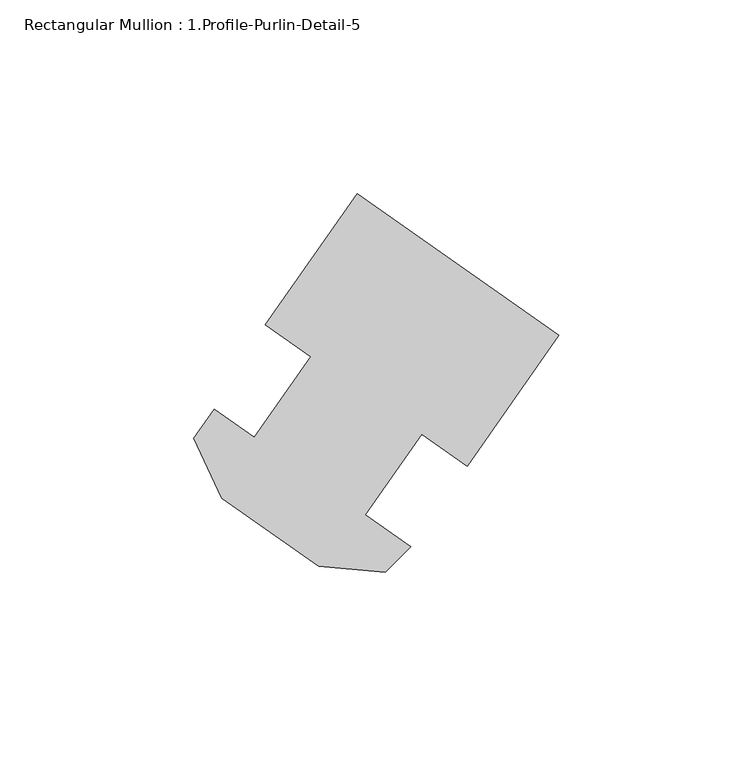
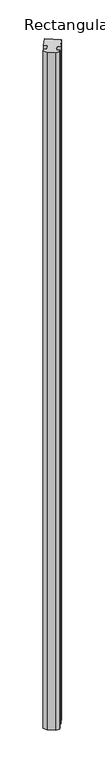
"""IFC4 building model written with IfcOpenShell, lengths in millimetres: member geometry, Rectangular Mullion : 1.Profile-Purlin-Detail-5."""

import ifcopenshell
import ifcopenshell.guid

model = None  # the IFC model being written
_history = None  # IfcOwnerHistory: only IFC2X3 demands one
_inside = {}  # id of a spatial element -> (the spatial element, [elements in it])
_under = {}  # id of a project, library or spatial element -> (it, [spatial elements below it])
_declared = {}  # id of a project -> (the project, [libraries it declares])
_typed = {}  # id of a type object -> (the type object, [elements of that type])
_made_of = {}  # id of a material, layer set ... -> (it, [elements and type objects made of it])


def new_model(schema):
    """Start an empty IFC model of exactly this schema.

    Asked for "IFC4X3", IfcOpenShell would pick the latest addendum, in which some entities
    have other attributes; the version numbers below select the first issue.
    IFC2X3 requires an IfcOwnerHistory on every rooted entity: one is made here for all.
    """
    global model, _history
    if schema == "IFC4X3":
        model = ifcopenshell.file(schema_version=(4, 3, 0, 0))
    else:
        model = ifcopenshell.file(schema=schema)
    _inside.clear()
    _under.clear()
    _declared.clear()
    _typed.clear()
    _made_of.clear()
    _history = None
    if model.schema == "IFC2X3":
        org = make("IfcOrganization", Name="unknown")
        user = make(
            "IfcPersonAndOrganization",
            ThePerson=make("IfcPerson", FamilyName="unknown"),
            TheOrganization=org,
        )
        app = make(
            "IfcApplication",
            ApplicationDeveloper=org,
            Version="unknown",
            ApplicationFullName="unknown",
            ApplicationIdentifier="unknown",
        )
        _history = make(
            "IfcOwnerHistory",
            OwningUser=user,
            OwningApplication=app,
            ChangeAction="ADDED",
            CreationDate=0,
        )
    return model


def make(cls, **values):
    """One entity of the class cls with the attributes given. An attribute that is None is left unset."""
    return model.create_entity(
        cls, **{name: value for name, value in values.items() if value is not None}
    )


def rooted(cls, **values):
    """An entity with a GlobalId (a new one), such as an element, a storey or a relation."""
    return make(cls, GlobalId=ifcopenshell.guid.new(), OwnerHistory=_history, **values)


def si_unit(unit_type, name, prefix=None):
    """IfcSIUnit, for example si_unit("LENGTHUNIT", "METRE", prefix="MILLI")."""
    return make("IfcSIUnit", UnitType=unit_type, Prefix=prefix, Name=name)


def assignment(units):
    """IfcUnitAssignment: the units of a project."""
    return None if units is None else make("IfcUnitAssignment", Units=units)


def point(xyz):
    """IfcCartesianPoint."""
    return None if xyz is None else make("IfcCartesianPoint", Coordinates=xyz)


def direction(xyz):
    """IfcDirection."""
    return None if xyz is None else make("IfcDirection", DirectionRatios=xyz)


def frame(location, z_axis=None, x_axis=None):
    """IfcAxis2Placement3D, a coordinate frame: its origin and axes. An axis left out is left unset."""
    return make(
        "IfcAxis2Placement3D",
        Location=point(location),
        Axis=direction(z_axis),
        RefDirection=direction(x_axis),
    )


def origin():
    """The frame at (0, 0, 0) with its axes left unset."""
    return frame((0.0, 0.0, 0.0))


def place(relative_to, where):
    """IfcLocalPlacement: puts the frame where relative to a parent placement (None: the world)."""
    return make(
        "IfcLocalPlacement", PlacementRelTo=relative_to, RelativePlacement=where
    )


def context(
    kind, dimensions, precision=None, world=None, true_north=None, identifier=None
):
    """IfcGeometricRepresentationContext, for example the 3D "Model" context."""
    return make(
        "IfcGeometricRepresentationContext",
        ContextIdentifier=identifier,
        ContextType=kind,
        CoordinateSpaceDimension=dimensions,
        Precision=precision,
        WorldCoordinateSystem=world,
        TrueNorth=true_north,
    )


def project(units=None, contexts=None):
    """IfcProject with its units and contexts."""
    return rooted(
        "IfcProject",
        Name="project",
        RepresentationContexts=contexts,
        UnitsInContext=assignment(units),
    )


def spatial(cls, under=None, at=None, **own):
    """A site, building, storey or space (cls), placed at a placement, below another one or the project."""
    s = rooted(cls, ObjectPlacement=at, **own)
    if under is not None:
        _under.setdefault(under.id(), (under, []))[1].append(s)
    return s


def polyline(points):
    """IfcPolyline through the points."""
    return make("IfcPolyline", Points=[point(p) for p in points])


def outline(outer, holes=None, kind="AREA"):
    """IfcArbitraryClosedProfileDef: a profile drawn as a closed curve; with holes, ...WithVoids."""
    if holes is None:
        return make("IfcArbitraryClosedProfileDef", ProfileType=kind, OuterCurve=outer)
    return make(
        "IfcArbitraryProfileDefWithVoids",
        ProfileType=kind,
        OuterCurve=outer,
        InnerCurves=holes,
    )


def extrude(swept, where, along, depth):
    """IfcExtrudedAreaSolid: the profile swept, set in the frame where, extruded along a direction by depth."""
    return make(
        "IfcExtrudedAreaSolid",
        SweptArea=swept,
        Position=where,
        ExtrudedDirection=direction(along),
        Depth=depth,
    )


def shape(context_of_items, identifier, shape_type, items):
    """IfcShapeRepresentation: the items that make up one representation, for example the "Body"."""
    return make(
        "IfcShapeRepresentation",
        ContextOfItems=context_of_items,
        RepresentationIdentifier=identifier,
        RepresentationType=shape_type,
        Items=items,
    )


def source(mapping_origin, context_of_items, identifier, shape_type, items):
    """IfcRepresentationMap: a shape defined once, which mapped items show again and again."""
    return make(
        "IfcRepresentationMap",
        MappingOrigin=mapping_origin,
        MappedRepresentation=shape(context_of_items, identifier, shape_type, items),
    )


def transform(
    local_origin,
    x_axis=None,
    y_axis=None,
    z_axis=None,
    scale=None,
    scale2=None,
    scale3=None,
    uniform=True,
):
    """IfcCartesianTransformationOperator3D, or its non-uniform kind. x_axis, y_axis, z_axis: its Axis1, 2, 3."""
    if uniform:
        return make(
            "IfcCartesianTransformationOperator3D",
            Axis1=direction(x_axis),
            Axis2=direction(y_axis),
            LocalOrigin=point(local_origin),
            Scale=scale,
            Axis3=direction(z_axis),
        )
    return make(
        "IfcCartesianTransformationOperator3DnonUniform",
        Axis1=direction(x_axis),
        Axis2=direction(y_axis),
        LocalOrigin=point(local_origin),
        Scale=scale,
        Axis3=direction(z_axis),
        Scale2=scale2,
        Scale3=scale3,
    )


def mapped(mapping_source, mapping_target):
    """IfcMappedItem: shows the shape of a source again, moved by a transform."""
    return make(
        "IfcMappedItem", MappingSource=mapping_source, MappingTarget=mapping_target
    )


def made_of(thing, what):
    """Note that an element or type object is made of a material, layer set ...; save() writes the relation."""
    if what is not None:
        _made_of.setdefault(what.id(), (what, []))[1].append(thing)
    return thing


def element(
    cls,
    number,
    at=None,
    inside=None,
    cuts=None,
    type_object=None,
    material=None,
    context=None,
    identifier="Body",
    shape_type=None,
    held_by="IfcProductDefinitionShape",
    body=None,
    shapes=None,
    **own,
):
    """One element of the class cls, such as IfcWall. Its Tag is "e" and its number.

    at: its placement. inside: the storey or other place that contains it. cuts: it is an
    opening in that element (IfcRelVoidsElement). A single representation is given by context,
    identifier, shape_type and body (its items); several are given by shapes. held_by: the class
    of the entity that holds the representations. save() writes the other relations.
    """
    e = rooted(cls, Tag="e%d" % number, ObjectPlacement=at, **own)
    if body is not None:
        shapes = [shape(context, identifier, shape_type, body)]
    if shapes is not None:
        e.Representation = make(held_by, Representations=shapes)
    if inside is not None:
        _inside.setdefault(inside.id(), (inside, []))[1].append(e)
    if cuts is not None:
        rooted(
            "IfcRelVoidsElement", RelatingBuildingElement=cuts, RelatedOpeningElement=e
        )
    if type_object is not None:
        _typed.setdefault(type_object.id(), (type_object, []))[1].append(e)
    return made_of(e, material)


def aggregate(whole, parts):
    """IfcRelAggregates: a whole, such as a stair, and the parts it consists of."""
    return rooted("IfcRelAggregates", RelatingObject=whole, RelatedObjects=parts)


def save(model, path):
    """Write the relations noted so far, then the file.

    IfcRelAggregates (storeys below a building ...), IfcRelContainedInSpatialStructure (elements
    in a storey), IfcRelDefinesByType, IfcRelAssociatesMaterial and IfcRelDeclares: one each for
    every whole, place, type object, material and project.
    """
    for whole, parts in _under.values():
        aggregate(whole, parts)
    for where, things in _inside.values():
        rooted(
            "IfcRelContainedInSpatialStructure",
            RelatedElements=things,
            RelatingStructure=where,
        )
    for kind, things in _typed.values():
        rooted("IfcRelDefinesByType", RelatedObjects=things, RelatingType=kind)
    for what, things in _made_of.values():
        rooted("IfcRelAssociatesMaterial", RelatedObjects=things, RelatingMaterial=what)
    for by, libraries in _declared.values():
        rooted("IfcRelDeclares", RelatingContext=by, RelatedDefinitions=libraries)
    model.write(path)


def rectangular_mullion_1_profile_purlin_detail_5_456b282c(model_context):
    return source(origin(), model_context, "Body", "SweptSolid", [
        extrude(outline(polyline([(0.0, 59.6668408), (-23.6743674, 25.8563401), (-35.3780022, 34.0513135), (-49.9468437, 13.2448515), (-38.2432089, 5.0498782), (-44.7916825, -1.4985954), (-61.9186563, 0.0), (-86.9070714, 17.4973867), (-94.1541044, 33.0382776), (-88.9102291, 40.5273077), (-78.5557289, 33.2770086), (-63.9868874, 54.0834705), (-75.6905222, 62.2784438), (-52.0161548, 96.0889445), (0.0, 59.6668408)])), frame((0.0, 0.0, -3048.0), z_axis=(0.0, 0.0, 1.0), x_axis=(1.0, 0.0, 0.0)), (0.0, 0.0, 1.0), 3048.0),
    ])


if __name__ == "__main__":
    model = new_model("IFC4")
    model_context = context("Model", 3, world=origin())
    ifc_project = project(units=[si_unit("LENGTHUNIT", "METRE", prefix="MILLI")], contexts=[model_context])
    site = spatial("IfcSite", under=ifc_project)
    building = spatial("IfcBuilding", under=site)
    placement = place(None, origin())
    rectangular_mullion_1_profile_purlin_detail_5_shape = rectangular_mullion_1_profile_purlin_detail_5_456b282c(model_context)
    element("IfcMember", 1, ObjectType="Rectangular Mullion : 1.Profile-Purlin-Detail-5", at=placement, inside=building, context=model_context, shape_type="MappedRepresentation", body=[
        mapped(rectangular_mullion_1_profile_purlin_detail_5_shape, transform((0.0, 0.0, 0.0), x_axis=(1.0, 0.0, 0.0), y_axis=(0.0, 1.0, 0.0), z_axis=(0.0, 0.0, 1.0))),
    ])
    save(model, "model.ifc")
